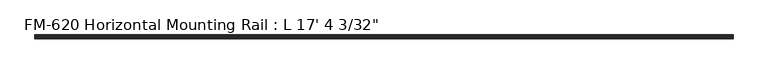
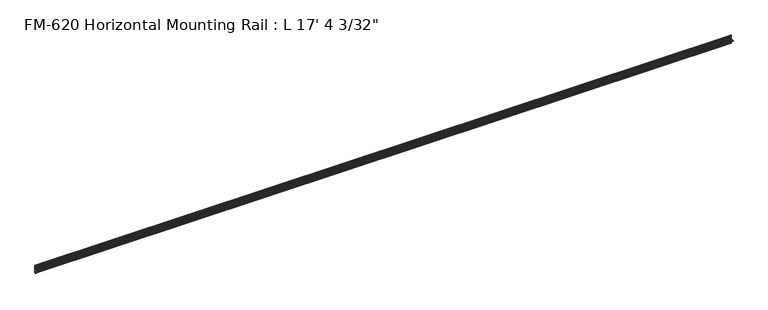
"""IFC4 building model written with IfcOpenShell, lengths in millimetres: proxy geometry."""

import ifcopenshell
import ifcopenshell.guid

model = None  # the IFC model being written
_history = None  # IfcOwnerHistory: only IFC2X3 demands one
_inside = {}  # id of a spatial element -> (the spatial element, [elements in it])
_under = {}  # id of a project, library or spatial element -> (it, [spatial elements below it])
_declared = {}  # id of a project -> (the project, [libraries it declares])
_typed = {}  # id of a type object -> (the type object, [elements of that type])
_made_of = {}  # id of a material, layer set ... -> (it, [elements and type objects made of it])


def new_model(schema):
    """Start an empty IFC model of exactly this schema.

    Asked for "IFC4X3", IfcOpenShell would pick the latest addendum, in which some entities
    have other attributes; the version numbers below select the first issue.
    IFC2X3 requires an IfcOwnerHistory on every rooted entity: one is made here for all.
    """
    global model, _history
    if schema == "IFC4X3":
        model = ifcopenshell.file(schema_version=(4, 3, 0, 0))
    else:
        model = ifcopenshell.file(schema=schema)
    _inside.clear()
    _under.clear()
    _declared.clear()
    _typed.clear()
    _made_of.clear()
    _history = None
    if model.schema == "IFC2X3":
        org = make("IfcOrganization", Name="unknown")
        user = make(
            "IfcPersonAndOrganization",
            ThePerson=make("IfcPerson", FamilyName="unknown"),
            TheOrganization=org,
        )
        app = make(
            "IfcApplication",
            ApplicationDeveloper=org,
            Version="unknown",
            ApplicationFullName="unknown",
            ApplicationIdentifier="unknown",
        )
        _history = make(
            "IfcOwnerHistory",
            OwningUser=user,
            OwningApplication=app,
            ChangeAction="ADDED",
            CreationDate=0,
        )
    return model


def make(cls, **values):
    """One entity of the class cls with the attributes given. An attribute that is None is left unset."""
    return model.create_entity(
        cls, **{name: value for name, value in values.items() if value is not None}
    )


def rooted(cls, **values):
    """An entity with a GlobalId (a new one), such as an element, a storey or a relation."""
    return make(cls, GlobalId=ifcopenshell.guid.new(), OwnerHistory=_history, **values)


def si_unit(unit_type, name, prefix=None):
    """IfcSIUnit, for example si_unit("LENGTHUNIT", "METRE", prefix="MILLI")."""
    return make("IfcSIUnit", UnitType=unit_type, Prefix=prefix, Name=name)


def assignment(units):
    """IfcUnitAssignment: the units of a project."""
    return None if units is None else make("IfcUnitAssignment", Units=units)


def point(xyz):
    """IfcCartesianPoint."""
    return None if xyz is None else make("IfcCartesianPoint", Coordinates=xyz)


def direction(xyz):
    """IfcDirection."""
    return None if xyz is None else make("IfcDirection", DirectionRatios=xyz)


def frame(location, z_axis=None, x_axis=None):
    """IfcAxis2Placement3D, a coordinate frame: its origin and axes. An axis left out is left unset."""
    return make(
        "IfcAxis2Placement3D",
        Location=point(location),
        Axis=direction(z_axis),
        RefDirection=direction(x_axis),
    )


def origin():
    """The frame at (0, 0, 0) with its axes left unset."""
    return frame((0.0, 0.0, 0.0))


def place(relative_to, where):
    """IfcLocalPlacement: puts the frame where relative to a parent placement (None: the world)."""
    return make(
        "IfcLocalPlacement", PlacementRelTo=relative_to, RelativePlacement=where
    )


def context(
    kind, dimensions, precision=None, world=None, true_north=None, identifier=None
):
    """IfcGeometricRepresentationContext, for example the 3D "Model" context."""
    return make(
        "IfcGeometricRepresentationContext",
        ContextIdentifier=identifier,
        ContextType=kind,
        CoordinateSpaceDimension=dimensions,
        Precision=precision,
        WorldCoordinateSystem=world,
        TrueNorth=true_north,
    )


def project(units=None, contexts=None):
    """IfcProject with its units and contexts."""
    return rooted(
        "IfcProject",
        Name="project",
        RepresentationContexts=contexts,
        UnitsInContext=assignment(units),
    )


def spatial(cls, under=None, at=None, **own):
    """A site, building, storey or space (cls), placed at a placement, below another one or the project."""
    s = rooted(cls, ObjectPlacement=at, **own)
    if under is not None:
        _under.setdefault(under.id(), (under, []))[1].append(s)
    return s


def polyline(points):
    """IfcPolyline through the points."""
    return make("IfcPolyline", Points=[point(p) for p in points])


def circle_curve(where, radius):
    """IfcCircle in the frame where."""
    return make("IfcCircle", Position=where, Radius=radius)


def shape(context_of_items, identifier, shape_type, items):
    """IfcShapeRepresentation: the items that make up one representation, for example the "Body"."""
    return make(
        "IfcShapeRepresentation",
        ContextOfItems=context_of_items,
        RepresentationIdentifier=identifier,
        RepresentationType=shape_type,
        Items=items,
    )


def source(mapping_origin, context_of_items, identifier, shape_type, items):
    """IfcRepresentationMap: a shape defined once, which mapped items show again and again."""
    return make(
        "IfcRepresentationMap",
        MappingOrigin=mapping_origin,
        MappedRepresentation=shape(context_of_items, identifier, shape_type, items),
    )


def transform(
    local_origin,
    x_axis=None,
    y_axis=None,
    z_axis=None,
    scale=None,
    scale2=None,
    scale3=None,
    uniform=True,
):
    """IfcCartesianTransformationOperator3D, or its non-uniform kind. x_axis, y_axis, z_axis: its Axis1, 2, 3."""
    if uniform:
        return make(
            "IfcCartesianTransformationOperator3D",
            Axis1=direction(x_axis),
            Axis2=direction(y_axis),
            LocalOrigin=point(local_origin),
            Scale=scale,
            Axis3=direction(z_axis),
        )
    return make(
        "IfcCartesianTransformationOperator3DnonUniform",
        Axis1=direction(x_axis),
        Axis2=direction(y_axis),
        LocalOrigin=point(local_origin),
        Scale=scale,
        Axis3=direction(z_axis),
        Scale2=scale2,
        Scale3=scale3,
    )


def mapped(mapping_source, mapping_target):
    """IfcMappedItem: shows the shape of a source again, moved by a transform."""
    return make(
        "IfcMappedItem", MappingSource=mapping_source, MappingTarget=mapping_target
    )


def made_of(thing, what):
    """Note that an element or type object is made of a material, layer set ...; save() writes the relation."""
    if what is not None:
        _made_of.setdefault(what.id(), (what, []))[1].append(thing)
    return thing


def element(
    cls,
    number,
    at=None,
    inside=None,
    cuts=None,
    type_object=None,
    material=None,
    context=None,
    identifier="Body",
    shape_type=None,
    held_by="IfcProductDefinitionShape",
    body=None,
    shapes=None,
    **own,
):
    """One element of the class cls, such as IfcWall. Its Tag is "e" and its number.

    at: its placement. inside: the storey or other place that contains it. cuts: it is an
    opening in that element (IfcRelVoidsElement). A single representation is given by context,
    identifier, shape_type and body (its items); several are given by shapes. held_by: the class
    of the entity that holds the representations. save() writes the other relations.
    """
    e = rooted(cls, Tag="e%d" % number, ObjectPlacement=at, **own)
    if body is not None:
        shapes = [shape(context, identifier, shape_type, body)]
    if shapes is not None:
        e.Representation = make(held_by, Representations=shapes)
    if inside is not None:
        _inside.setdefault(inside.id(), (inside, []))[1].append(e)
    if cuts is not None:
        rooted(
            "IfcRelVoidsElement", RelatingBuildingElement=cuts, RelatedOpeningElement=e
        )
    if type_object is not None:
        _typed.setdefault(type_object.id(), (type_object, []))[1].append(e)
    return made_of(e, material)


def aggregate(whole, parts):
    """IfcRelAggregates: a whole, such as a stair, and the parts it consists of."""
    return rooted("IfcRelAggregates", RelatingObject=whole, RelatedObjects=parts)


def save(model, path):
    """Write the relations noted so far, then the file.

    IfcRelAggregates (storeys below a building ...), IfcRelContainedInSpatialStructure (elements
    in a storey), IfcRelDefinesByType, IfcRelAssociatesMaterial and IfcRelDeclares: one each for
    every whole, place, type object, material and project.
    """
    for whole, parts in _under.values():
        aggregate(whole, parts)
    for where, things in _inside.values():
        rooted(
            "IfcRelContainedInSpatialStructure",
            RelatedElements=things,
            RelatingStructure=where,
        )
    for kind, things in _typed.values():
        rooted("IfcRelDefinesByType", RelatedObjects=things, RelatingType=kind)
    for what, things in _made_of.values():
        rooted("IfcRelAssociatesMaterial", RelatedObjects=things, RelatingMaterial=what)
    for by, libraries in _declared.values():
        rooted("IfcRelDeclares", RelatingContext=by, RelatedDefinitions=libraries)
    model.write(path)


def plane_surface(at):
    """IfcPlane: the flat surface through the origin of the frame at, square to its z axis."""
    return make("IfcPlane", Position=at)


def cylinder_surface(at, radius):
    """IfcCylindricalSurface: all points at the distance radius from the z axis of the frame at."""
    return make("IfcCylindricalSurface", Position=at, Radius=radius)


def revolved_surface(curve, axis_point, axis_direction):
    """IfcSurfaceOfRevolution: the curve turned about the line through axis_point along axis_direction."""
    return make(
        "IfcSurfaceOfRevolution",
        SweptCurve=make("IfcArbitraryOpenProfileDef", ProfileType="CURVE", Curve=curve),
        AxisPosition=make("IfcAxis1Placement", Location=point(axis_point), Axis=direction(axis_direction)),
    )


def advanced_brep(points, edges, surfaces, faces):
    """IfcAdvancedBrep: a solid bounded by faces that lie on surfaces and meet in shared edges.

    An edge is (start, end): straight between two places in points (the first is 0);
    or (start, end, curve); or (start, end, curve, False) where it runs against its curve.
    A face is (place in surfaces, loops), or (place, loops, False) where it looks against
    its surface's normal. A loop lists edges by number (the first is 1), with a minus sign
    where the edge is run from its end to its start. The first loop is the outer one.
    """
    corners = [point(p) for p in points]
    vertices = [make("IfcVertexPoint", VertexGeometry=c) for c in corners]
    made = []
    for start, end, *more in edges:
        made.append(
            make(
                "IfcEdgeCurve",
                EdgeStart=vertices[start],
                EdgeEnd=vertices[end],
                EdgeGeometry=more[0] if more else make("IfcPolyline", Points=[corners[start], corners[end]]),
                SameSense=more[1] if len(more) > 1 else True,
            )
        )
    hull = []
    for where, loops, *sense in faces:
        bounds = []
        for j, loop in enumerate(loops):
            ring = [make("IfcOrientedEdge", EdgeElement=made[abs(k) - 1], Orientation=k > 0) for k in loop]
            bounds.append(
                make(
                    "IfcFaceOuterBound" if j == 0 else "IfcFaceBound",
                    Bound=make("IfcEdgeLoop", EdgeList=ring),
                    Orientation=True,
                )
            )
        hull.append(make("IfcAdvancedFace", Bounds=bounds, FaceSurface=surfaces[where], SameSense=sense[0] if sense else True))
    return make("IfcAdvancedBrep", Outer=make("IfcClosedShell", CfsFaces=hull))


def proxy_5f174007(model_context):
    return source(origin(), model_context, "Body", "AdvancedBrep", [
        advanced_brep(
        [(5285.58125, 13.6400687, 32.1158903), (5285.58125, 11.9462301, 30.7938136), (5285.58125, 13.6400687, 26.2967369), (5285.58125, 15.4364113, 25.7360779), (5285.58125, 16.1779173, 26.4138515), (5285.58125, 16.9376166, 27.3612928), (5285.58125, 17.4625, 26.8535734), (5285.58125, 17.4625, 15.6659614), (5285.58125, 17.9716639, 14.7485418), (5285.58125, 17.9716639, 13.408381), (5285.58125, 17.4681023, 12.4909614), (5285.58125, 17.4681023, 3.5082566), (5285.58125, 15.5546988, 1.5948531), (5285.58125, 5.2023289, 1.5948531), (5285.58125, 2.0525552, 1.5948531), (5285.58125, -2.484295, 1.5948531), (5285.58125, -5.633895, 1.5948531), (5285.58125, -9.5043031, 1.5948531), (5285.58125, -9.5043031, 0.0), (5285.58125, -5.633895, 0.0), (5285.58125, -2.484295, 0.0), (5285.58125, 2.0526969, 0.0), (5285.58125, 5.2022969, 0.0), (5285.58125, 15.5575, -0.0227595), (5285.58125, 17.4625, -1.9277595), (5285.58125, 17.4625, -10.9034614), (5285.58125, 17.9716639, -11.820881), (5285.58125, 17.9716639, -13.1610418), (5285.58125, 17.4625, -14.0784614), (5285.58125, 17.4625, -25.2660734), (5285.58125, 16.9376166, -25.7737928), (5285.58125, 16.1779173, -24.8263515), (5285.58125, 15.4364113, -24.1485779), (5285.58125, 13.6400687, -24.7092369), (5285.58125, 11.9462301, -29.2063136), (5285.58125, 13.6400687, -30.5283903), (5285.58125, 15.4750158, -31.1010982), (5285.58125, 16.1549378, -30.6811835), (5285.58125, 16.1549378, -29.1395734), (5285.58125, 17.7424378, -27.5520734), (5285.58125, 19.05, -27.5520734), (5285.58125, 19.05, 0.0), (5285.58125, 19.05, 29.1395734), (5285.58125, 17.7424378, 29.1395734), (5285.58125, 16.1549378, 30.7270734), (5285.58125, 16.1549378, 32.2686835), (5285.58125, 15.4750158, 32.6885982), (0.0, 13.6400687, 32.1158903), (0.0, 15.4750158, 32.6885982), (0.0, 16.1549378, 32.2686835), (0.0, 16.1549378, 30.7270734), (0.0, 17.7424378, 29.1395734), (0.0, 19.05, 29.1395734), (0.0, 19.05, 0.0), (0.0, 19.05, -27.5520734), (0.0, 17.7424378, -27.5520734), (0.0, 16.1549378, -29.1395734), (0.0, 16.1549378, -30.6811835), (0.0, 15.4750158, -31.1010982), (0.0, 13.6400687, -30.5283903), (0.0, 11.9462301, -29.2063136), (0.0, 13.6400687, -24.7092369), (0.0, 15.4364113, -24.1485779), (0.0, 16.1779173, -24.8263515), (0.0, 16.9376166, -25.7737928), (0.0, 17.4625, -25.2660734), (0.0, 17.4625, -14.0784614), (0.0, 17.9716639, -13.1610418), (0.0, 17.9716639, -11.820881), (0.0, 17.4625, -10.9034614), (0.0, 17.4625, -1.9277595), (0.0, 15.5575, -0.0227595), (0.0, 5.2021324, -0.0227595), (0.0, 2.0526969, 0.0), (0.0, -2.484295, 0.0), (0.0, -5.633895, 0.0), (0.0, -9.5043031, 0.0), (0.0, -9.5043031, 1.5948531), (0.0, -5.633895, 1.5948531), (0.0, -2.484295, 1.5948531), (0.0, 2.0525552, 1.5948531), (0.0, 5.2023289, 1.5948531), (0.0, 15.5546988, 1.5948531), (0.0, 17.4681023, 3.5082566), (0.0, 17.4681023, 12.4909614), (0.0, 17.9716639, 13.408381), (0.0, 17.9716639, 14.7485418), (0.0, 17.4625, 15.6659614), (0.0, 17.4625, 26.8535734), (0.0, 16.9376166, 27.3612928), (0.0, 16.1779173, 26.4138515), (0.0, 15.4364113, 25.7360779), (0.0, 13.6400687, 26.2967369), (0.0, 11.9462301, 30.7938136)],
        [
            (0, 1, circle_curve(frame((5285.58125, 14.5481808, 29.2063136), z_axis=(1.0, 0.0, 0.0), x_axis=(0.0, -1.0, 0.0)), 3.048)),
            (1, 2, circle_curve(frame((5285.58125, 14.5481808, 29.2063136), z_axis=(1.0, 0.0, 0.0), x_axis=(0.0, -1.0, 0.0)), 3.048)),
            (2, 3),
            (3, 4, circle_curve(frame((5285.58125, 15.6245238, 26.2747792), z_axis=(1.0, 0.0, 0.0), x_axis=(0.0, -1.0, 0.0)), 0.5706009)),
            (4, 5, circle_curve(frame((5285.58125, 16.9169378, 26.5995734), z_axis=(-1.0, 0.0, 0.0), x_axis=(0.0, -1.0, 0.0)), 0.762)),
            (5, 6, circle_curve(frame((5285.58125, 16.9545, 26.8535734), z_axis=(-1.0, 0.0, 0.0), x_axis=(0.0, -1.0, 0.0)), 0.508)),
            (6, 7),
            (7, 8),
            (8, 9),
            (9, 10),
            (10, 11),
            (11, 12, circle_curve(frame((5285.58125, 15.5546988, 3.5082566), z_axis=(-1.0, 0.0, 0.0), x_axis=(0.0, -1.0, 0.0)), 1.9134035)),
            (12, 13),
            (13, 14, circle_curve(frame((5285.58125, 3.627442, 1.5948531), z_axis=(1.0, 0.0, 0.0), x_axis=(0.0, -1.0, 0.0)), 1.5748869)),
            (14, 15),
            (15, 16, circle_curve(frame((5285.58125, -4.059095, 1.5948531), z_axis=(1.0, 0.0, 0.0), x_axis=(0.0, -1.0, 0.0)), 1.5748)),
            (16, 17),
            (17, 18),
            (18, 19),
            (19, 20, circle_curve(frame((5285.58125, -4.059095, 0.0), z_axis=(1.0, 0.0, 0.0), x_axis=(0.0, -1.0, 0.0)), 1.5748)),
            (20, 21),
            (21, 22, circle_curve(frame((5285.58125, 3.6274969, 0.0), z_axis=(1.0, 0.0, 0.0), x_axis=(0.0, -1.0, 0.0)), 1.5748)),
            (22, 23),
            (23, 24, circle_curve(frame((5285.58125, 15.5575, -1.9277595), z_axis=(-1.0, 0.0, 0.0), x_axis=(0.0, -1.0, 0.0)), 1.905)),
            (24, 25),
            (25, 26),
            (26, 27),
            (27, 28),
            (28, 29),
            (29, 30, circle_curve(frame((5285.58125, 16.9545, -25.2660734), z_axis=(-1.0, 0.0, 0.0), x_axis=(0.0, -1.0, 0.0)), 0.508)),
            (30, 31, circle_curve(frame((5285.58125, 16.9169378, -25.0120734), z_axis=(-1.0, 0.0, 0.0), x_axis=(0.0, -1.0, 0.0)), 0.762)),
            (31, 32, circle_curve(frame((5285.58125, 15.6245238, -24.6872792), z_axis=(1.0, 0.0, 0.0), x_axis=(0.0, -1.0, 0.0)), 0.5706009)),
            (32, 33),
            (33, 34, circle_curve(frame((5285.58125, 14.5481808, -27.6188136), z_axis=(1.0, 0.0, 0.0), x_axis=(0.0, -1.0, 0.0)), 3.048)),
            (34, 35, circle_curve(frame((5285.58125, 14.5481808, -27.6188136), z_axis=(1.0, 0.0, 0.0), x_axis=(0.0, -1.0, 0.0)), 3.048)),
            (35, 36),
            (36, 37, circle_curve(frame((5285.58125, 15.6853088, -30.6811835), z_axis=(1.0, 0.0, 0.0), x_axis=(0.0, -1.0, 0.0)), 0.4696291)),
            (37, 38),
            (38, 39, circle_curve(frame((5285.58125, 17.7424378, -29.1395734), z_axis=(-1.0, 0.0, 0.0), x_axis=(0.0, -1.0, 0.0)), 1.5875)),
            (39, 40),
            (40, 41),
            (41, 42),
            (42, 43),
            (43, 44, circle_curve(frame((5285.58125, 17.7424378, 30.7270734), z_axis=(-1.0, 0.0, 0.0), x_axis=(0.0, -1.0, 0.0)), 1.5875)),
            (44, 45),
            (45, 46, circle_curve(frame((5285.58125, 15.6853088, 32.2686835), z_axis=(1.0, 0.0, 0.0), x_axis=(0.0, -1.0, 0.0)), 0.4696291)),
            (46, 0),
            (47, 48),
            (48, 49, circle_curve(frame((0.0, 15.6853088, 32.2686835), z_axis=(-1.0, 0.0, 0.0), x_axis=(0.0, -1.0, 0.0)), 0.4696291)),
            (49, 50),
            (50, 51, circle_curve(frame((0.0, 17.7424378, 30.7270734), z_axis=(1.0, 0.0, 0.0), x_axis=(0.0, -1.0, 0.0)), 1.5875)),
            (51, 52),
            (52, 53),
            (53, 54),
            (54, 55),
            (55, 56, circle_curve(frame((0.0, 17.7424378, -29.1395734), z_axis=(1.0, 0.0, 0.0), x_axis=(0.0, -1.0, 0.0)), 1.5875)),
            (56, 57),
            (57, 58, circle_curve(frame((0.0, 15.6853088, -30.6811835), z_axis=(-1.0, 0.0, 0.0), x_axis=(0.0, -1.0, 0.0)), 0.4696291)),
            (58, 59),
            (59, 60, circle_curve(frame((0.0, 14.5481808, -27.6188136), z_axis=(-1.0, 0.0, 0.0), x_axis=(0.0, -1.0, 0.0)), 3.048)),
            (60, 61, circle_curve(frame((0.0, 14.5481808, -27.6188136), z_axis=(-1.0, 0.0, 0.0), x_axis=(0.0, -1.0, 0.0)), 3.048)),
            (61, 62),
            (62, 63, circle_curve(frame((0.0, 15.6245238, -24.6872792), z_axis=(-1.0, 0.0, 0.0), x_axis=(0.0, -1.0, 0.0)), 0.5706009)),
            (63, 64, circle_curve(frame((0.0, 16.9169378, -25.0120734), z_axis=(1.0, 0.0, 0.0), x_axis=(0.0, -1.0, 0.0)), 0.762)),
            (64, 65, circle_curve(frame((0.0, 16.9545, -25.2660734), z_axis=(1.0, 0.0, 0.0), x_axis=(0.0, -1.0, 0.0)), 0.508)),
            (65, 66),
            (66, 67),
            (67, 68),
            (68, 69),
            (69, 70),
            (70, 71, circle_curve(frame((0.0, 15.5575, -1.9277595), z_axis=(1.0, 0.0, 0.0), x_axis=(0.0, -1.0, 0.0)), 1.905)),
            (71, 72),
            (72, 73, circle_curve(frame((0.0, 3.6274969, 0.0), z_axis=(-1.0, 0.0, 0.0), x_axis=(0.0, -1.0, 0.0)), 1.5748)),
            (73, 74),
            (74, 75, circle_curve(frame((0.0, -4.059095, 0.0), z_axis=(-1.0, 0.0, 0.0), x_axis=(0.0, -1.0, 0.0)), 1.5748)),
            (75, 76),
            (76, 77),
            (77, 78),
            (78, 79, circle_curve(frame((0.0, -4.059095, 1.5948531), z_axis=(-1.0, 0.0, 0.0), x_axis=(0.0, -1.0, 0.0)), 1.5748)),
            (79, 80),
            (80, 81, circle_curve(frame((0.0, 3.627442, 1.5948531), z_axis=(-1.0, 0.0, 0.0), x_axis=(0.0, -1.0, 0.0)), 1.5748869)),
            (81, 82),
            (82, 83, circle_curve(frame((0.0, 15.5546988, 3.5082566), z_axis=(1.0, 0.0, 0.0), x_axis=(0.0, -1.0, 0.0)), 1.9134035)),
            (83, 84),
            (84, 85),
            (85, 86),
            (86, 87),
            (87, 88),
            (88, 89, circle_curve(frame((0.0, 16.9545, 26.8535734), z_axis=(1.0, 0.0, 0.0), x_axis=(0.0, -1.0, 0.0)), 0.508)),
            (89, 90, circle_curve(frame((0.0, 16.9169378, 26.5995734), z_axis=(1.0, 0.0, 0.0), x_axis=(0.0, -1.0, 0.0)), 0.762)),
            (90, 91, circle_curve(frame((0.0, 15.6245238, 26.2747792), z_axis=(-1.0, 0.0, 0.0), x_axis=(0.0, -1.0, 0.0)), 0.5706009)),
            (91, 92),
            (92, 93, circle_curve(frame((0.0, 14.5481808, 29.2063136), z_axis=(-1.0, 0.0, 0.0), x_axis=(0.0, -1.0, 0.0)), 3.048)),
            (93, 47, circle_curve(frame((0.0, 14.5481808, 29.2063136), z_axis=(-1.0, 0.0, 0.0), x_axis=(0.0, -1.0, 0.0)), 3.048)),
            (47, 0),
            (46, 48),
            (45, 49),
            (44, 50),
            (43, 51),
            (42, 52),
            (41, 53),
            (82, 12),
            (11, 83),
            (10, 84),
            (9, 85),
            (8, 86),
            (7, 87),
            (6, 88),
            (5, 89),
            (4, 90),
            (3, 91),
            (2, 92),
            (1, 93),
            (79, 15),
            (14, 80),
            (40, 54),
            (39, 55),
            (38, 56),
            (37, 57),
            (36, 58),
            (35, 59),
            (34, 60),
            (33, 61),
            (32, 62),
            (31, 63),
            (30, 64),
            (29, 65),
            (28, 66),
            (27, 67),
            (26, 68),
            (25, 69),
            (24, 70),
            (23, 71),
            (22, 72),
            (73, 21),
            (20, 74),
            (81, 13),
            (19, 75),
            (18, 76),
            (17, 77),
            (16, 78),
        ],
        [
            plane_surface(frame((5285.58125, 13.6400687, 32.1158903), z_axis=(1.0000000000000002, 0.0, 0.0), x_axis=(0.0, -0.9545855229405112, -0.29793703930929905))),
            plane_surface(frame((0.0, 13.6400687, 32.1158903), z_axis=(-1.0000000000000002, 0.0, 0.0), x_axis=(0.0, 0.9545855229405112, 0.29793703930929905))),
            plane_surface(frame((0.0, 13.6400687, 32.1158903), z_axis=(0.0, -0.29793703930929905, 0.9545855229405112), x_axis=(1.0, 0.0, 0.0))),
            cylinder_surface(frame((5285.58125, 15.6853088, 32.2686835), z_axis=(-1.0, 0.0, 0.0), x_axis=(0.0, -1.0, 0.0)), 0.4696291),
            plane_surface(frame((0.0, 16.1549378, 32.2686835), z_axis=(0.0, 1.0, 0.0), x_axis=(1.0, 0.0, 0.0))),
            revolved_surface(polyline([(5285.58125, 16.154937800000003, 30.7270734), (0.0, 16.154937800000003, 30.7270734)]), (5285.58125, 17.7424378, 30.7270734), (1.0, 0.0, 0.0)),
            plane_surface(frame((0.0, 17.7424378, 29.1395734), z_axis=(0.0, 0.0, 1.0), x_axis=(1.0, 0.0, 0.0))),
            plane_surface(frame((0.0, 19.05, 29.1395734), z_axis=(0.0, 1.0, 0.0), x_axis=(1.0, 0.0, 0.0))),
            revolved_surface(polyline([(5285.58125, 13.641295300000001, 3.5082566), (0.0, 13.641295300000001, 3.5082566)]), (5285.58125, 15.5546988, 3.5082566), (1.0, 0.0, 0.0)),
            plane_surface(frame((0.0, 17.4681023, 3.5082566), z_axis=(0.0, -1.0, 0.0), x_axis=(1.0, 0.0, 0.0))),
            plane_surface(frame((0.0, 17.4681023, 12.4909614), z_axis=(0.0, -0.8766268538755736, 0.48117082108562426), x_axis=(1.0, 0.0, 0.0))),
            plane_surface(frame((0.0, 17.9716639, 13.408381), z_axis=(0.0, -1.0, 0.0), x_axis=(1.0, 0.0, 0.0))),
            plane_surface(frame((0.0, 17.9716639, 14.7485418), z_axis=(0.0, -0.8743650453416105, -0.4852687579937157), x_axis=(1.0, 0.0, 0.0))),
            plane_surface(frame((0.0, 17.4625, 15.6659614), z_axis=(0.0, -1.0, 0.0), x_axis=(1.0, 0.0, 0.0))),
            revolved_surface(polyline([(5285.58125, 16.4465, 26.8535734), (0.0, 16.4465, 26.8535734)]), (5285.58125, 16.9545, 26.8535734), (1.0, 0.0, 0.0)),
            revolved_surface(polyline([(5285.58125, 16.1549378, 26.5995734), (0.0, 16.1549378, 26.5995734)]), (5285.58125, 16.9169378, 26.5995734), (1.0, 0.0, 0.0)),
            cylinder_surface(frame((5285.58125, 15.6245238, 26.2747792), z_axis=(-1.0, 0.0, 0.0), x_axis=(0.0, -1.0, 0.0)), 0.5706009),
            plane_surface(frame((0.0, 15.4364113, 25.7360779), z_axis=(0.0, -0.2979370393101009, -0.9545855229402609), x_axis=(1.0, 0.0, 0.0))),
            cylinder_surface(frame((5285.58125, 14.5481808, 29.2063136), z_axis=(-1.0, 0.0, 0.0), x_axis=(0.0, -1.0, 0.0)), 3.048),
            plane_surface(frame((0.0, -2.484295, 1.5948531), z_axis=(0.0, 0.0, 1.0), x_axis=(1.0, 0.0, 0.0))),
            plane_surface(frame((0.0, 19.05, 0.0), z_axis=(0.0, 1.0, 0.0), x_axis=(1.0, 0.0, 0.0))),
            plane_surface(frame((0.0, 19.05, -27.5520734), z_axis=(0.0, 0.0, -1.0), x_axis=(1.0, 0.0, 0.0))),
            revolved_surface(polyline([(5285.58125, 16.154937800000003, -29.1395734), (0.0, 16.154937800000003, -29.1395734)]), (5285.58125, 17.7424378, -29.1395734), (1.0, 0.0, 0.0)),
            plane_surface(frame((0.0, 16.1549378, -29.1395734), z_axis=(0.0, 1.0, 0.0), x_axis=(1.0, 0.0, 0.0))),
            cylinder_surface(frame((5285.58125, 15.6853088, -30.6811835), z_axis=(-1.0, 0.0, 0.0), x_axis=(0.0, -1.0, 0.0)), 0.4696291),
            plane_surface(frame((0.0, 15.4750158, -31.1010982), z_axis=(0.0, -0.2979370393090683, -0.9545855229405833), x_axis=(1.0, 0.0, 0.0))),
            cylinder_surface(frame((5285.58125, 14.5481808, -27.6188136), z_axis=(-1.0, 0.0, 0.0), x_axis=(0.0, -1.0, 0.0)), 3.048),
            plane_surface(frame((0.0, 13.6400687, -24.7092369), z_axis=(0.0, -0.2979370393424987, 0.9545855229301492), x_axis=(1.0, 0.0, 0.0))),
            cylinder_surface(frame((5285.58125, 15.6245238, -24.6872792), z_axis=(-1.0, 0.0, 0.0), x_axis=(0.0, -1.0, 0.0)), 0.5706009),
            revolved_surface(polyline([(5285.58125, 16.1549378, -25.0120734), (0.0, 16.1549378, -25.0120734)]), (5285.58125, 16.9169378, -25.0120734), (1.0, 0.0, 0.0)),
            revolved_surface(polyline([(5285.58125, 16.4465, -25.2660734), (0.0, 16.4465, -25.2660734)]), (5285.58125, 16.9545, -25.2660734), (1.0, 0.0, 0.0)),
            plane_surface(frame((0.0, 17.4625, -25.2660734), z_axis=(0.0, -1.0, 0.0), x_axis=(1.0, 0.0, 0.0))),
            plane_surface(frame((0.0, 17.4625, -14.0784614), z_axis=(0.0, -0.8743650443696134, 0.48526875974507594), x_axis=(1.0, 0.0, 0.0))),
            plane_surface(frame((0.0, 17.9716639, -13.1610418), z_axis=(0.0, -1.0, 0.0), x_axis=(1.0, 0.0, 0.0))),
            plane_surface(frame((0.0, 17.9716639, -11.820881), z_axis=(0.0, -0.8743650440122003, -0.48526876038906863), x_axis=(1.0, 0.0, 0.0))),
            plane_surface(frame((0.0, 17.4625, -10.9034614), z_axis=(0.0, -1.0, 0.0), x_axis=(1.0, 0.0, 0.0))),
            revolved_surface(polyline([(5285.58125, 13.6525, -1.9277595), (0.0, 13.6525, -1.9277595)]), (5285.58125, 15.5575, -1.9277595), (1.0, 0.0, 0.0)),
            plane_surface(frame((0.0, 15.5575, -0.0227595), z_axis=(0.0, 0.0, -1.0), x_axis=(1.0, 0.0, 0.0))),
            plane_surface(frame((0.0, 2.0526969, 0.0), z_axis=(0.0, 0.0, -1.0), x_axis=(1.0, 0.0, 0.0))),
            plane_surface(frame((0.0, 5.2023289, 1.5948531), z_axis=(0.0, 0.0, 1.0), x_axis=(1.0, 0.0, 0.0))),
            cylinder_surface(frame((5285.58125, 3.6274969, 0.0), z_axis=(-1.0, 0.0, 0.0), x_axis=(0.0, -1.0, 0.0)), 1.5748),
            cylinder_surface(frame((5285.58125, -4.059095, 0.0), z_axis=(-1.0, 0.0, 0.0), x_axis=(0.0, -1.0, 0.0)), 1.5748),
            plane_surface(frame((0.0, -5.633895, 0.0), z_axis=(0.0, 0.0, -1.0), x_axis=(1.0, 0.0, 0.0))),
            plane_surface(frame((0.0, -9.5043031, 0.0), z_axis=(0.0, -1.0, 0.0), x_axis=(1.0, 0.0, 0.0))),
            plane_surface(frame((0.0, -9.5043031, 1.5948531), z_axis=(0.0, 0.0, 1.0), x_axis=(1.0, 0.0, 0.0))),
            cylinder_surface(frame((5285.58125, -4.059095, 1.5948531), z_axis=(-1.0, 0.0, 0.0), x_axis=(0.0, -1.0, 0.0)), 1.5748),
            cylinder_surface(frame((5285.58125, 3.627442, 1.5948531), z_axis=(-1.0, 0.0, 0.0), x_axis=(0.0, -1.0, 0.0)), 1.5748869),
        ],
        [
            (0, [[1, 2, 3, 4, 5, 6, 7, 8, 9, 10, 11, 12, 13, 14, 15, 16, 17, 18, 19, 20, 21, 22, 23, 24, 25, 26, 27, 28, 29, 30, 31, 32, 33, 34, 35, 36, 37, 38, 39, 40, 41, 42, 43, 44, 45, 46, 47]]),
            (1, [[48, 49, 50, 51, 52, 53, 54, 55, 56, 57, 58, 59, 60, 61, 62, 63, 64, 65, 66, 67, 68, 69, 70, 71, 72, 73, 74, 75, 76, 77, 78, 79, 80, 81, 82, 83, 84, 85, 86, 87, 88, 89, 90, 91, 92, 93, 94]]),
            (2, [[-48, 95, -47, 96]]),
            (3, [[-49, -96, -46, 97]]),
            (4, [[-50, -97, -45, 98]]),
            (5, [[-51, -98, -44, 99]]),
            (6, [[-52, -99, -43, 100]]),
            (7, [[-53, -100, -42, 101]]),
            (8, [[-83, 102, -12, 103]]),
            (9, [[-84, -103, -11, 104]]),
            (10, [[-85, -104, -10, 105]]),
            (11, [[-86, -105, -9, 106]]),
            (12, [[-87, -106, -8, 107]]),
            (13, [[-88, -107, -7, 108]]),
            (14, [[-89, -108, -6, 109]]),
            (15, [[-90, -109, -5, 110]]),
            (16, [[-91, -110, -4, 111]]),
            (17, [[-92, -111, -3, 112]]),
            (18, [[-93, -112, -2, 113]]),
            (18, [[-94, -113, -1, -95]]),
            (19, [[-80, 114, -15, 115]]),
            (20, [[-54, -101, -41, 116]]),
            (21, [[-55, -116, -40, 117]]),
            (22, [[-56, -117, -39, 118]]),
            (23, [[-57, -118, -38, 119]]),
            (24, [[-58, -119, -37, 120]]),
            (25, [[-59, -120, -36, 121]]),
            (26, [[-60, -121, -35, 122]]),
            (26, [[-61, -122, -34, 123]]),
            (27, [[-62, -123, -33, 124]]),
            (28, [[-63, -124, -32, 125]]),
            (29, [[-64, -125, -31, 126]]),
            (30, [[-65, -126, -30, 127]]),
            (31, [[-66, -127, -29, 128]]),
            (32, [[-67, -128, -28, 129]]),
            (33, [[-68, -129, -27, 130]]),
            (34, [[-69, -130, -26, 131]]),
            (35, [[-70, -131, -25, 132]]),
            (36, [[-71, -132, -24, 133]]),
            (37, [[-72, -133, -23, 134]]),
            (38, [[-74, 135, -21, 136]]),
            (39, [[-82, 137, -13, -102]]),
            (40, [[-73, -134, -22, -135]]),
            (41, [[-75, -136, -20, 138]]),
            (42, [[-76, -138, -19, 139]]),
            (43, [[-77, -139, -18, 140]]),
            (44, [[-78, -140, -17, 141]]),
            (45, [[-79, -141, -16, -114]]),
            (46, [[-81, -115, -14, -137]]),
        ],
    ),
    ])


if __name__ == "__main__":
    model = new_model("IFC4")
    model_context = context("Model", 3, world=origin())
    ifc_project = project(units=[si_unit("LENGTHUNIT", "METRE", prefix="MILLI")], contexts=[model_context])
    site = spatial("IfcSite", under=ifc_project)
    building = spatial("IfcBuilding", under=site)
    placement = place(None, origin())
    proxy_shape = proxy_5f174007(model_context)
    element("IfcBuildingElementProxy", 1, Name="FM-620 Horizontal Mounting Rail : L 17' 4 3/32\"", ObjectType="FM-620 Horizontal Mounting Rail : L 17' 4 3/32\"", at=placement, inside=building, context=model_context, shape_type="MappedRepresentation", body=[
        mapped(proxy_shape, transform((0.0, 0.0, 0.0), x_axis=(1.0, 0.0, 0.0), y_axis=(0.0, 1.0, 0.0), z_axis=(0.0, 0.0, 1.0))),
    ])
    save(model, "model.ifc")
